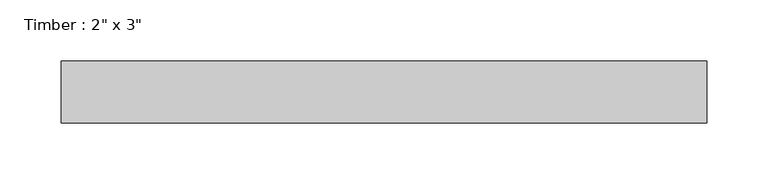
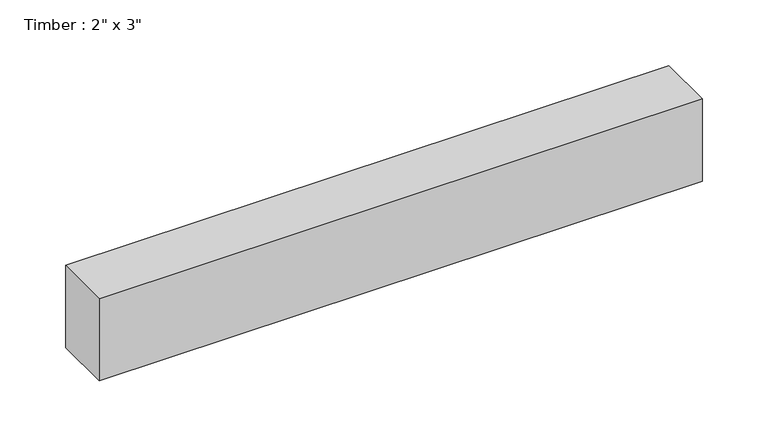
"""IFC4 building model written with IfcOpenShell, lengths in millimetres: beam geometry."""

from ifc_helpers import new_model, si_unit, frame, origin, place, context, project, spatial, polyline, outline, extrude, source, transform, mapped, element, save


def beam_edd01d5e(model_context):
    return source(origin(), model_context, "Body", "SweptSolid", [
        extrude(outline(polyline([(264.6419671, -25.4), (-264.6419671, -25.4), (-264.6419671, 25.4), (264.6419671, 25.4), (264.6419671, -25.4)])), frame((0.0, 0.0, -38.1), z_axis=(0.0, 0.0, 1.0), x_axis=(1.0, 0.0, 0.0)), (0.0, 0.0, 1.0), 76.2),
    ])


if __name__ == "__main__":
    model = new_model("IFC4")
    model_context = context("Model", 3, world=origin())
    ifc_project = project(units=[si_unit("LENGTHUNIT", "METRE", prefix="MILLI")], contexts=[model_context])
    site = spatial("IfcSite", under=ifc_project)
    building = spatial("IfcBuilding", under=site)
    placement = place(None, origin())
    beam_shape = beam_edd01d5e(model_context)
    element("IfcBeam", 1, ObjectType="Timber : 2\" x 3\"", at=placement, inside=building, context=model_context, shape_type="MappedRepresentation", body=[
        mapped(beam_shape, transform((0.0, 0.0, 0.0), x_axis=(1.0, 0.0, 0.0), y_axis=(0.0, 1.0, 0.0), z_axis=(0.0, 0.0, 1.0))),
    ])
    save(model, "model.ifc")
